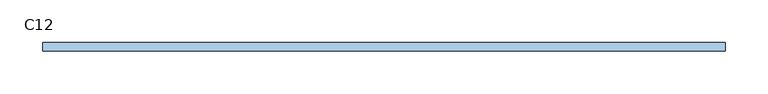
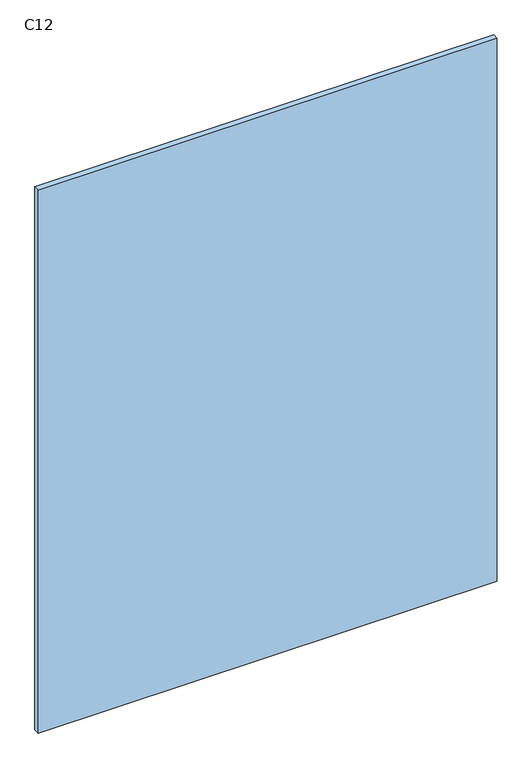
"""IFC4 building model written with IfcOpenShell, lengths in millimetres: window geometry, C12."""

import ifcopenshell
import ifcopenshell.guid

model = None  # the IFC model being written
_history = None  # IfcOwnerHistory: only IFC2X3 demands one
_inside = {}  # id of a spatial element -> (the spatial element, [elements in it])
_under = {}  # id of a project, library or spatial element -> (it, [spatial elements below it])
_declared = {}  # id of a project -> (the project, [libraries it declares])
_typed = {}  # id of a type object -> (the type object, [elements of that type])
_made_of = {}  # id of a material, layer set ... -> (it, [elements and type objects made of it])


def new_model(schema):
    """Start an empty IFC model of exactly this schema.

    Asked for "IFC4X3", IfcOpenShell would pick the latest addendum, in which some entities
    have other attributes; the version numbers below select the first issue.
    IFC2X3 requires an IfcOwnerHistory on every rooted entity: one is made here for all.
    """
    global model, _history
    if schema == "IFC4X3":
        model = ifcopenshell.file(schema_version=(4, 3, 0, 0))
    else:
        model = ifcopenshell.file(schema=schema)
    _inside.clear()
    _under.clear()
    _declared.clear()
    _typed.clear()
    _made_of.clear()
    _history = None
    if model.schema == "IFC2X3":
        org = make("IfcOrganization", Name="unknown")
        user = make(
            "IfcPersonAndOrganization",
            ThePerson=make("IfcPerson", FamilyName="unknown"),
            TheOrganization=org,
        )
        app = make(
            "IfcApplication",
            ApplicationDeveloper=org,
            Version="unknown",
            ApplicationFullName="unknown",
            ApplicationIdentifier="unknown",
        )
        _history = make(
            "IfcOwnerHistory",
            OwningUser=user,
            OwningApplication=app,
            ChangeAction="ADDED",
            CreationDate=0,
        )
    return model


def make(cls, **values):
    """One entity of the class cls with the attributes given. An attribute that is None is left unset."""
    return model.create_entity(
        cls, **{name: value for name, value in values.items() if value is not None}
    )


def rooted(cls, **values):
    """An entity with a GlobalId (a new one), such as an element, a storey or a relation."""
    return make(cls, GlobalId=ifcopenshell.guid.new(), OwnerHistory=_history, **values)


def si_unit(unit_type, name, prefix=None):
    """IfcSIUnit, for example si_unit("LENGTHUNIT", "METRE", prefix="MILLI")."""
    return make("IfcSIUnit", UnitType=unit_type, Prefix=prefix, Name=name)


def assignment(units):
    """IfcUnitAssignment: the units of a project."""
    return None if units is None else make("IfcUnitAssignment", Units=units)


def point(xyz):
    """IfcCartesianPoint."""
    return None if xyz is None else make("IfcCartesianPoint", Coordinates=xyz)


def direction(xyz):
    """IfcDirection."""
    return None if xyz is None else make("IfcDirection", DirectionRatios=xyz)


def frame(location, z_axis=None, x_axis=None):
    """IfcAxis2Placement3D, a coordinate frame: its origin and axes. An axis left out is left unset."""
    return make(
        "IfcAxis2Placement3D",
        Location=point(location),
        Axis=direction(z_axis),
        RefDirection=direction(x_axis),
    )


def origin():
    """The frame at (0, 0, 0) with its axes left unset."""
    return frame((0.0, 0.0, 0.0))


def place(relative_to, where):
    """IfcLocalPlacement: puts the frame where relative to a parent placement (None: the world)."""
    return make(
        "IfcLocalPlacement", PlacementRelTo=relative_to, RelativePlacement=where
    )


def context(
    kind, dimensions, precision=None, world=None, true_north=None, identifier=None
):
    """IfcGeometricRepresentationContext, for example the 3D "Model" context."""
    return make(
        "IfcGeometricRepresentationContext",
        ContextIdentifier=identifier,
        ContextType=kind,
        CoordinateSpaceDimension=dimensions,
        Precision=precision,
        WorldCoordinateSystem=world,
        TrueNorth=true_north,
    )


def project(units=None, contexts=None):
    """IfcProject with its units and contexts."""
    return rooted(
        "IfcProject",
        Name="project",
        RepresentationContexts=contexts,
        UnitsInContext=assignment(units),
    )


def spatial(cls, under=None, at=None, **own):
    """A site, building, storey or space (cls), placed at a placement, below another one or the project."""
    s = rooted(cls, ObjectPlacement=at, **own)
    if under is not None:
        _under.setdefault(under.id(), (under, []))[1].append(s)
    return s


def polyline(points):
    """IfcPolyline through the points."""
    return make("IfcPolyline", Points=[point(p) for p in points])


def outline(outer, holes=None, kind="AREA"):
    """IfcArbitraryClosedProfileDef: a profile drawn as a closed curve; with holes, ...WithVoids."""
    if holes is None:
        return make("IfcArbitraryClosedProfileDef", ProfileType=kind, OuterCurve=outer)
    return make(
        "IfcArbitraryProfileDefWithVoids",
        ProfileType=kind,
        OuterCurve=outer,
        InnerCurves=holes,
    )


def extrude(swept, where, along, depth):
    """IfcExtrudedAreaSolid: the profile swept, set in the frame where, extruded along a direction by depth."""
    return make(
        "IfcExtrudedAreaSolid",
        SweptArea=swept,
        Position=where,
        ExtrudedDirection=direction(along),
        Depth=depth,
    )


def shape(context_of_items, identifier, shape_type, items):
    """IfcShapeRepresentation: the items that make up one representation, for example the "Body"."""
    return make(
        "IfcShapeRepresentation",
        ContextOfItems=context_of_items,
        RepresentationIdentifier=identifier,
        RepresentationType=shape_type,
        Items=items,
    )


def source(mapping_origin, context_of_items, identifier, shape_type, items):
    """IfcRepresentationMap: a shape defined once, which mapped items show again and again."""
    return make(
        "IfcRepresentationMap",
        MappingOrigin=mapping_origin,
        MappedRepresentation=shape(context_of_items, identifier, shape_type, items),
    )


def transform(
    local_origin,
    x_axis=None,
    y_axis=None,
    z_axis=None,
    scale=None,
    scale2=None,
    scale3=None,
    uniform=True,
):
    """IfcCartesianTransformationOperator3D, or its non-uniform kind. x_axis, y_axis, z_axis: its Axis1, 2, 3."""
    if uniform:
        return make(
            "IfcCartesianTransformationOperator3D",
            Axis1=direction(x_axis),
            Axis2=direction(y_axis),
            LocalOrigin=point(local_origin),
            Scale=scale,
            Axis3=direction(z_axis),
        )
    return make(
        "IfcCartesianTransformationOperator3DnonUniform",
        Axis1=direction(x_axis),
        Axis2=direction(y_axis),
        LocalOrigin=point(local_origin),
        Scale=scale,
        Axis3=direction(z_axis),
        Scale2=scale2,
        Scale3=scale3,
    )


def mapped(mapping_source, mapping_target):
    """IfcMappedItem: shows the shape of a source again, moved by a transform."""
    return make(
        "IfcMappedItem", MappingSource=mapping_source, MappingTarget=mapping_target
    )


def made_of(thing, what):
    """Note that an element or type object is made of a material, layer set ...; save() writes the relation."""
    if what is not None:
        _made_of.setdefault(what.id(), (what, []))[1].append(thing)
    return thing


def element(
    cls,
    number,
    at=None,
    inside=None,
    cuts=None,
    type_object=None,
    material=None,
    context=None,
    identifier="Body",
    shape_type=None,
    held_by="IfcProductDefinitionShape",
    body=None,
    shapes=None,
    **own,
):
    """One element of the class cls, such as IfcWall. Its Tag is "e" and its number.

    at: its placement. inside: the storey or other place that contains it. cuts: it is an
    opening in that element (IfcRelVoidsElement). A single representation is given by context,
    identifier, shape_type and body (its items); several are given by shapes. held_by: the class
    of the entity that holds the representations. save() writes the other relations.
    """
    e = rooted(cls, Tag="e%d" % number, ObjectPlacement=at, **own)
    if body is not None:
        shapes = [shape(context, identifier, shape_type, body)]
    if shapes is not None:
        e.Representation = make(held_by, Representations=shapes)
    if inside is not None:
        _inside.setdefault(inside.id(), (inside, []))[1].append(e)
    if cuts is not None:
        rooted(
            "IfcRelVoidsElement", RelatingBuildingElement=cuts, RelatedOpeningElement=e
        )
    if type_object is not None:
        _typed.setdefault(type_object.id(), (type_object, []))[1].append(e)
    return made_of(e, material)


def aggregate(whole, parts):
    """IfcRelAggregates: a whole, such as a stair, and the parts it consists of."""
    return rooted("IfcRelAggregates", RelatingObject=whole, RelatedObjects=parts)


def save(model, path):
    """Write the relations noted so far, then the file.

    IfcRelAggregates (storeys below a building ...), IfcRelContainedInSpatialStructure (elements
    in a storey), IfcRelDefinesByType, IfcRelAssociatesMaterial and IfcRelDeclares: one each for
    every whole, place, type object, material and project.
    """
    for whole, parts in _under.values():
        aggregate(whole, parts)
    for where, things in _inside.values():
        rooted(
            "IfcRelContainedInSpatialStructure",
            RelatedElements=things,
            RelatingStructure=where,
        )
    for kind, things in _typed.values():
        rooted("IfcRelDefinesByType", RelatedObjects=things, RelatingType=kind)
    for what, things in _made_of.values():
        rooted("IfcRelAssociatesMaterial", RelatedObjects=things, RelatingMaterial=what)
    for by, libraries in _declared.values():
        rooted("IfcRelDeclares", RelatingContext=by, RelatedDefinitions=libraries)
    model.write(path)


def c12_35c0ba9f(model_context):
    return source(origin(), model_context, "Body", "SweptSolid", [
        extrude(outline(polyline([(400.0, -5.0), (-400.0, -5.0), (-400.0, 5.0), (400.0, 5.0), (400.0, -5.0)])), frame((0.0, 0.0, 900.0), z_axis=(0.0, 0.0, 1.0), x_axis=(1.0, 0.0, 0.0)), (0.0, 0.0, 1.0), 1000.0),
    ])


if __name__ == "__main__":
    model = new_model("IFC4")
    model_context = context("Model", 3, world=origin())
    ifc_project = project(units=[si_unit("LENGTHUNIT", "METRE", prefix="MILLI")], contexts=[model_context])
    site = spatial("IfcSite", under=ifc_project)
    building = spatial("IfcBuilding", under=site)
    placement = place(None, origin())
    c12_shape = c12_35c0ba9f(model_context)
    element("IfcWindow", 1, ObjectType="C12", at=placement, inside=building, context=model_context, shape_type="MappedRepresentation", body=[
        mapped(c12_shape, transform((0.0, 0.0, 0.0), x_axis=(1.0, 0.0, 0.0), y_axis=(0.0, 1.0, 0.0), z_axis=(0.0, 0.0, 1.0))),
    ])
    save(model, "model.ifc")
